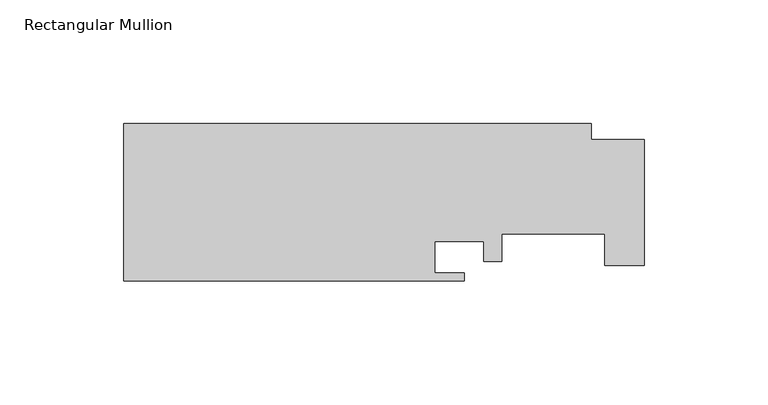
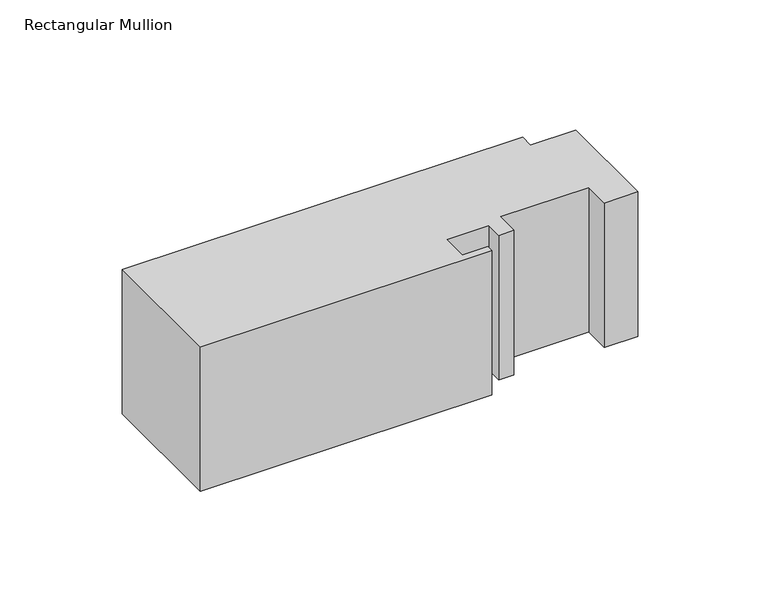
"""IFC4 building model written with IfcOpenShell, lengths in millimetres: member geometry, Rectangular Mullion."""

from ifc_helpers import new_model, si_unit, frame, origin, place, context, project, spatial, polyline, outline, extrude, source, transform, mapped, element, save


def rectangular_mullion_c0dbe3ed(model_context):
    return source(origin(), model_context, "Body", "SweptSolid", [
        extrude(outline(polyline([(-189.3014375, -19.05), (-189.3014375, 44.45), (-0.6556375, 44.45), (-0.6556375, 38.1), (20.6295625, 38.1), (20.6295625, -12.7), (4.7545625, -12.7), (4.7545625, 0.0), (-36.9014375, 0.0), (-36.9014375, -11.1252), (-44.0642375, -11.1252), (-44.0642375, -3.175), (-63.8762375, -3.175), (-63.8762375, -15.875), (-51.9636375, -15.875), (-51.9636375, -19.05), (-189.3014375, -19.05)])), frame((0.0, 0.0, -72.0519261), z_axis=(0.0, 0.0, 1.0), x_axis=(1.0, 0.0, 0.0)), (0.0, 0.0, 1.0), 72.0519261),
    ])


if __name__ == "__main__":
    model = new_model("IFC4")
    model_context = context("Model", 3, world=origin())
    ifc_project = project(units=[si_unit("LENGTHUNIT", "METRE", prefix="MILLI")], contexts=[model_context])
    site = spatial("IfcSite", under=ifc_project)
    building = spatial("IfcBuilding", under=site)
    placement = place(None, origin())
    rectangular_mullion_shape = rectangular_mullion_c0dbe3ed(model_context)
    element("IfcMember", 1, ObjectType="Rectangular Mullion", at=placement, inside=building, context=model_context, shape_type="MappedRepresentation", body=[
        mapped(rectangular_mullion_shape, transform((0.0, 0.0, 0.0), x_axis=(1.0, 0.0, 0.0), y_axis=(0.0, 1.0, 0.0), z_axis=(0.0, 0.0, 1.0))),
    ])
    save(model, "model.ifc")
